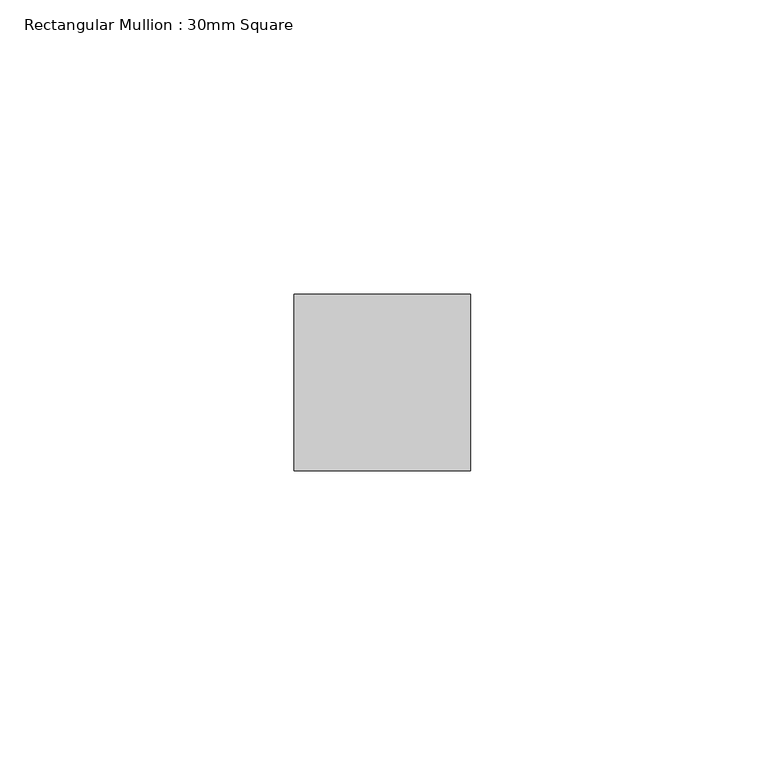
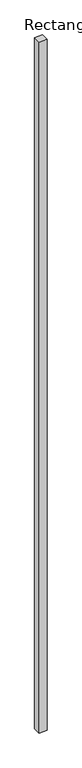
"""IFC4 building model written with IfcOpenShell, lengths in millimetres: member geometry, Rectangular Mullion : 30mm Square."""

from ifc_helpers import new_model, si_unit, frame, origin, place, context, project, spatial, polyline, outline, extrude, source, transform, mapped, element, save


def rectangular_mullion_30mm_square_5e521106(model_context):
    return source(origin(), model_context, "Body", "SweptSolid", [
        extrude(outline(polyline([(0.0, 15.0), (0.0, -15.0), (-30.0, -15.0), (-30.0, 15.0), (0.0, 15.0)])), frame((0.0, 0.0, -2795.0), z_axis=(0.0, 0.0, 1.0), x_axis=(1.0, 0.0, 0.0)), (0.0, 0.0, 1.0), 2795.0),
    ])


if __name__ == "__main__":
    model = new_model("IFC4")
    model_context = context("Model", 3, world=origin())
    ifc_project = project(units=[si_unit("LENGTHUNIT", "METRE", prefix="MILLI")], contexts=[model_context])
    site = spatial("IfcSite", under=ifc_project)
    building = spatial("IfcBuilding", under=site)
    placement = place(None, origin())
    rectangular_mullion_30mm_square_shape = rectangular_mullion_30mm_square_5e521106(model_context)
    element("IfcMember", 1, ObjectType="Rectangular Mullion : 30mm Square", at=placement, inside=building, context=model_context, shape_type="MappedRepresentation", body=[
        mapped(rectangular_mullion_30mm_square_shape, transform((0.0, 0.0, 0.0), x_axis=(1.0, 0.0, 0.0), y_axis=(0.0, 1.0, 0.0), z_axis=(0.0, 0.0, 1.0))),
    ])
    save(model, "model.ifc")
